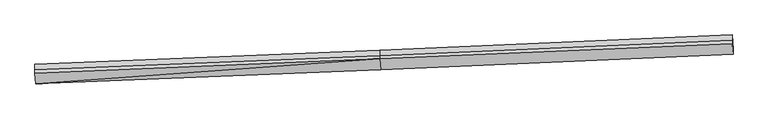
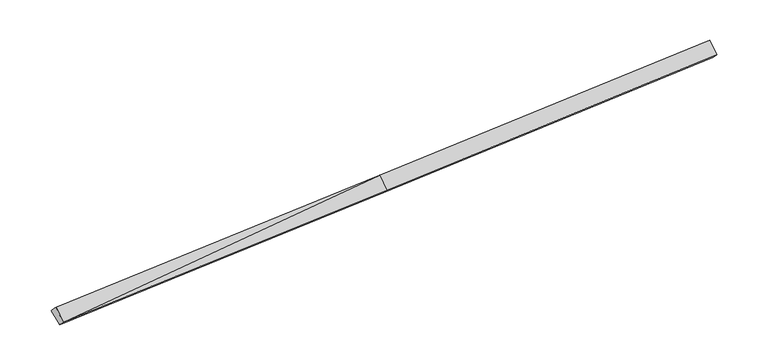
"""IFC4 building model written with IfcOpenShell, lengths in millimetres: proxy geometry."""

from ifc_helpers import new_model, si_unit, frame, origin, place, context, project, spatial, source, transform, mapped, element, save
from ifc_brep_helpers import plane_surface, spline_surface, advanced_brep


def generic_models_813a189f(model_context):
    return source(origin(), model_context, "Body", "AdvancedBrep", [
        advanced_brep(
        [(-16566.9542297, -2694.0590666, 1151.8366977), (-16565.4975146, -2424.6815418, 867.7513184), (-107.0197468, -1734.4331616, 1618.8555296), (-108.5062419, -2009.3176496, 1908.7485491), (-16612.3567865, -2172.5208165, 1646.1407151), (-153.0910284, -1497.1731108, 2394.149386), (-16611.5381945, -2021.1457944, 1486.5007057), (-152.2724365, -1345.7980887, 2234.5093766), (-16610.1217888, -1759.2223269, 1210.2763708), (-150.8313282, -1079.3065887, 1953.4675973), (16661.2477813, -618.8617515, 3010.0255958), (16660.4291893, -770.2367736, 3169.6656051), (16705.0139758, -1282.3813124, 2684.2647683), (16706.5004709, -1007.4968244, 2394.3717488), (16662.6888896, -352.3702515, 2728.9838165)],
        [
            (0, 1),
            (1, 2),
            (2, 3),
            (3, 0),
            (4, 0),
            (0, 5),
            (5, 4),
            (6, 4),
            (5, 7),
            (7, 6),
            (8, 6),
            (7, 9),
            (9, 8),
            (1, 8),
            (9, 2),
            (10, 11),
            (11, 12),
            (12, 13),
            (13, 14),
            (14, 10),
            (3, 5),
            (5, 11),
            (10, 7),
            (3, 12),
            (2, 13),
            (9, 14),
        ],
        [
            plane_surface(frame((-16566.2258721, -2559.3703042, 1009.7940081), z_axis=(0.061714782274210324, -0.7244162167413265, -0.6865948081445348), x_axis=(0.003720872519937207, 0.6880682823075585, -0.7256364061911561))),
            plane_surface(frame((-16589.6555081, -2433.2899416, 1398.9887064), z_axis=(-0.004740909713022469, -0.688112080342356, 0.7255889253992291), x_axis=(0.06305910669904409, -0.7243586805986116, -0.6865333574588762))),
            plane_surface(frame((-16611.9474905, -2096.8333055, 1566.3207104), z_axis=(-0.06092983718824328, 0.7244492019258509, 0.686630110590274), x_axis=(-0.003720872519942594, -0.6880682823075577, 0.7256364061911569))),
            plane_surface(frame((-16610.8299917, -1890.1840607, 1348.3885383), z_axis=(-0.06092983718824331, 0.7244492019258503, 0.6866301105902749), x_axis=(-0.003720872519942596, -0.6880682823075586, 0.7256364061911561))),
            spline_surface(1, 1, [[(-16565.4975146, -2424.6815418, 867.7513184), (-107.0197468, -1734.4331616, 1618.8555296)], [(-16610.1217888, -1759.2223269, 1210.2763708), (-150.8313282, -1079.3065887, 1953.4675973)]], [2, 2], [2, 2], [0.0, 1.0], [0.0, 1.0]),
            plane_surface(frame((16683.6581314, -853.1212905, 2744.3214847), z_axis=(0.998002857796515, 0.043203480458916844, 0.04608421753947268), x_axis=(-0.003720872519942741, -0.6880682823075577, 0.7256364061911568))),
            plane_surface(frame((-16588.7325799, -2262.620938, 1219.0012755), z_axis=(-0.9980028577965141, -0.04320348045892611, -0.04608421753948183), x_axis=(-0.0037208725199430275, -0.6880682823075577, 0.7256364061911569))),
            plane_surface(frame((-16566.9542297, -2694.0590666, 1151.8366977), z_axis=(-0.004740909713022733, -0.6881120803423542, 0.7255889253992308), x_axis=(0.06305910669903597, -0.7243586805986137, -0.6865333574588748))),
            plane_surface(frame((-152.6817324, -1421.4855997, 2314.3293813), z_axis=(-0.06298415950415956, 0.7243619230076994, 0.6865368163093241), x_axis=(-0.0037208725199428245, -0.6880682823075577, 0.7256364061911569))),
            plane_surface(frame((-130.7986352, -1753.2453802, 2151.4489675), z_axis=(-0.0037208725199430123, -0.6880682823075558, 0.7256364061911589), x_axis=(0.06305910669903106, -0.7243586805986147, -0.6865333574588742))),
            plane_surface(frame((-107.7629944, -1871.8754056, 1763.8020394), z_axis=(0.06298415950415953, -0.7243619230076985, -0.6865368163093248), x_axis=(0.0037208725199414138, 0.6880682823075583, -0.7256364061911561))),
            plane_surface(frame((-128.9255375, -1406.8698751, 1786.1615635), z_axis=(0.02133021474337609, 0.455890179685296, -0.8897804032487511), x_axis=(-0.05945095249253983, 0.8889863717093058, 0.45405816275324645))),
            plane_surface(frame((-151.5518823, -1212.5523387, 2093.988487), z_axis=(-0.06298415950415953, 0.7243619230076993, 0.6865368163093241), x_axis=(-0.0037208725199426936, -0.6880682823075577, 0.7256364061911568))),
        ],
        [
            (0, [[1, 2, 3, 4]]),
            (1, [[5, 6, 7]]),
            (2, [[8, -7, 9, 10]]),
            (3, [[11, -10, 12, 13]]),
            (4, [[14, -13, 15, -2]]),
            (5, [[16, 17, 18, 19, 20]]),
            (6, [[-1, -5, -8, -11, -14]]),
            (7, [[21, -6, -4]]),
            (8, [[-9, 22, -16, 23]]),
            (9, [[-21, 24, -17, -22]]),
            (10, [[-3, 25, -18, -24]]),
            (11, [[-15, 26, -19, -25]]),
            (12, [[-12, -23, -20, -26]]),
        ],
    ),
    ])


if __name__ == "__main__":
    model = new_model("IFC4")
    model_context = context("Model", 3, world=origin())
    ifc_project = project(units=[si_unit("LENGTHUNIT", "METRE", prefix="MILLI")], contexts=[model_context])
    site = spatial("IfcSite", under=ifc_project)
    building = spatial("IfcBuilding", under=site)
    placement = place(None, origin())
    generic_models_shape = generic_models_813a189f(model_context)
    element("IfcBuildingElementProxy", 1, Name="Generic Models", at=placement, inside=building, context=model_context, shape_type="MappedRepresentation", body=[
        mapped(generic_models_shape, transform((0.0, 0.0, 0.0), x_axis=(1.0, 0.0, 0.0), y_axis=(0.0, 1.0, 0.0), z_axis=(0.0, 0.0, 1.0))),
    ])
    save(model, "model.ifc")
